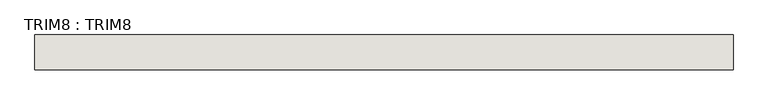
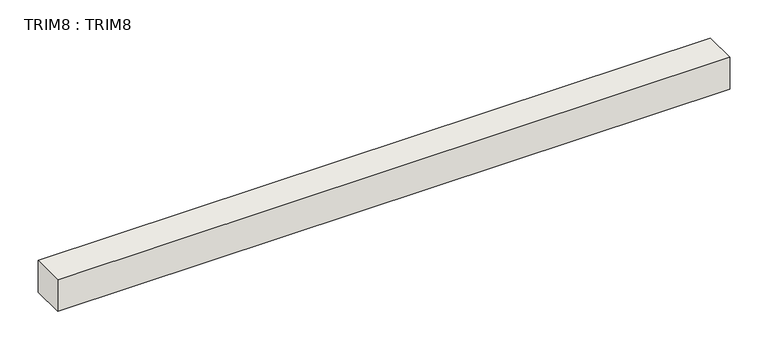
"""IFC4 building model written with IfcOpenShell, lengths in millimetres: wall geometry, TRIM8 : TRIM8."""

from ifc_helpers import new_model, si_unit, frame, origin, place, context, project, spatial, polyline, outline, extrude, source, transform, mapped, element, save


def trim8_trim8_30b687f3(model_context):
    return source(origin(), model_context, "Body", "SweptSolid", [
        extrude(outline(polyline([(-9065.0216415, 4268.6732965), (-8049.0216415, 4268.6732965), (-8049.0216415, 4217.8732965), (-9065.0216415, 4217.8732965), (-9065.0216415, 4268.6732965)])), frame((0.0, 0.0, 4095.75), z_axis=(0.0, 0.0, 1.0), x_axis=(1.0, 0.0, 0.0)), (0.0, 0.0, 1.0), 50.8),
    ])


if __name__ == "__main__":
    model = new_model("IFC4")
    model_context = context("Model", 3, world=origin())
    ifc_project = project(units=[si_unit("LENGTHUNIT", "METRE", prefix="MILLI")], contexts=[model_context])
    site = spatial("IfcSite", under=ifc_project)
    building = spatial("IfcBuilding", under=site)
    placement = place(None, origin())
    trim8_trim8_shape = trim8_trim8_30b687f3(model_context)
    element("IfcWall", 1, ObjectType="TRIM8 : TRIM8", at=placement, inside=building, context=model_context, shape_type="MappedRepresentation", body=[
        mapped(trim8_trim8_shape, transform((0.0, 0.0, 0.0), x_axis=(1.0, 0.0, 0.0), y_axis=(0.0, 1.0, 0.0), z_axis=(0.0, 0.0, 1.0))),
    ])
    save(model, "model.ifc")
